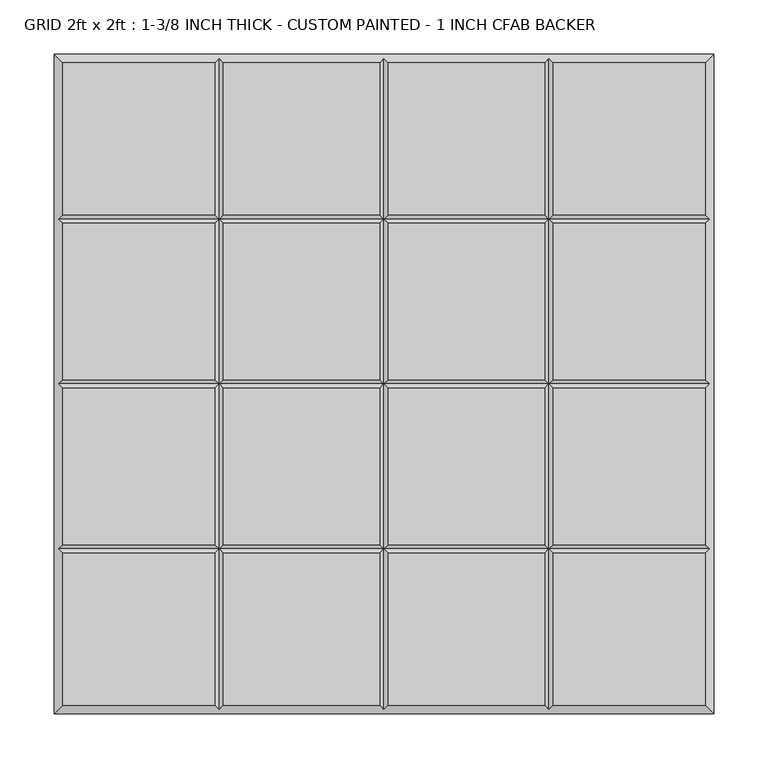
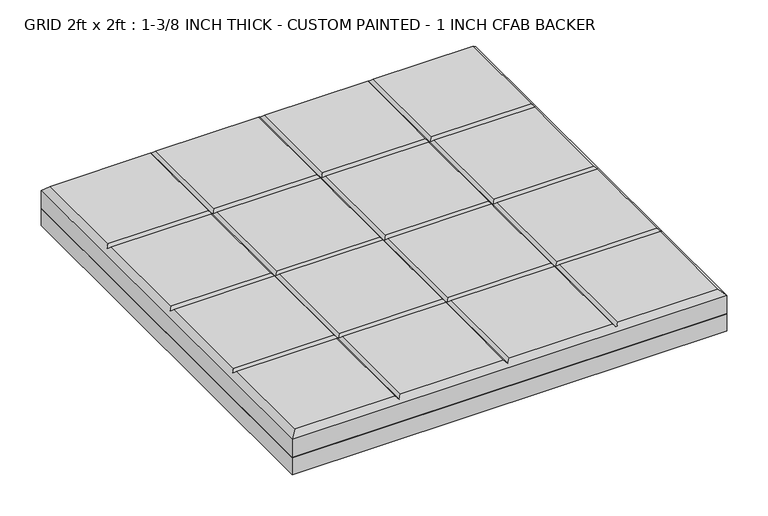
"""IFC4 building model written with IfcOpenShell, lengths in millimetres: proxy geometry, GRID 2ft x 2ft : 1-3/8 INCH THICK - CUSTOM PAINTED - 1 INCH CFAB BACKER."""

from ifc_helpers import new_model, si_unit, frame, origin, place, context, project, spatial, polyline, outline, extrude, faceted_brep, source, transform, mapped, element, save


def grid_2ft_x_2ft_1_3_8_inch_thick_custom_painted_1_inch_cfab_cec94e31(model_context):
    return source(origin(), model_context, "Body", "SolidModel", [
        extrude(outline(polyline([(-304.8, 304.8), (304.8, 304.8), (304.8, -304.8), (-304.8, -304.8), (-304.8, 304.8)])), frame((0.0, 0.0, -25.4), z_axis=(0.0, 0.0, 1.0), x_axis=(1.0, 0.0, 0.0)), (0.0, 0.0, 1.0), 25.4),
        faceted_brep([(-156.4009826, 296.799, 34.925), (-296.799, 296.799, 34.925), (-296.799, 156.4005254, 34.925), (-156.4009826, 156.4005254, 34.925), (-296.799, -296.799, 34.925), (-156.4009826, -296.799, 34.925), (-156.4009826, -156.4004746, 34.925), (-296.799, -156.4004746, 34.925), (-4.0004746, 296.799, 34.925), (-148.3999826, 296.799, 34.925), (-148.3999826, 156.4005254, 34.925), (-4.0004746, 156.4005254, 34.925), (-148.3999826, -296.799, 34.925), (-4.0004746, -296.799, 34.925), (-4.0004746, -156.4004746, 34.925), (-148.3999826, -156.4004746, 34.925), (296.799, 296.799, 34.925), (156.4010334, 296.799, 34.925), (156.4010334, 156.4005254, 34.925), (296.799, 156.4005254, 34.925), (148.4000334, 296.799, 34.925), (4.0005254, 296.799, 34.925), (4.0005254, 156.4005254, 34.925), (148.4000334, 156.4005254, 34.925), (156.4010334, -296.799, 34.925), (296.799, -296.799, 34.925), (296.799, -156.4004746, 34.925), (156.4010334, -156.4004746, 34.925), (4.0005254, -296.799, 34.925), (148.4000334, -296.799, 34.925), (148.4000334, -156.4004746, 34.925), (4.0005254, -156.4004746, 34.925), (-156.4009826, 148.3995254, 34.925), (-296.799, 148.3995254, 34.925), (-296.799, 4.0005254, 34.925), (-156.4009826, 4.0005254, 34.925), (296.799, 148.3995254, 34.925), (156.4010334, 148.3995254, 34.925), (156.4010334, 4.0005254, 34.925), (296.799, 4.0005254, 34.925), (-4.0004746, 148.3995254, 34.925), (-148.3999826, 148.3995254, 34.925), (-148.3999826, 4.0005254, 34.925), (-4.0004746, 4.0005254, 34.925), (148.4000334, 148.3995254, 34.925), (4.0005254, 148.3995254, 34.925), (4.0005254, 4.0005254, 34.925), (148.4000334, 4.0005254, 34.925), (-296.799, -148.3994746, 34.925), (-156.4009826, -148.3994746, 34.925), (-156.4009826, -4.0004746, 34.925), (-296.799, -4.0004746, 34.925), (-148.3999826, -148.3994746, 34.925), (-4.0004746, -148.3994746, 34.925), (-4.0004746, -4.0004746, 34.925), (-148.3999826, -4.0004746, 34.925), (156.4010334, -148.3994746, 34.925), (296.799, -148.3994746, 34.925), (296.799, -4.0004746, 34.925), (156.4010334, -4.0004746, 34.925), (4.0005254, -148.3994746, 34.925), (148.4000334, -148.3994746, 34.925), (148.4000334, -4.0004746, 34.925), (4.0005254, -4.0004746, 34.925), (-304.8, 304.8, 0.0), (304.8, 304.8, 0.0), (304.8, -304.8, 0.0), (-304.8, -304.8, 0.0), (-304.8, -304.8, 26.924), (-304.8, 304.8, 26.924), (304.8, -304.8, 26.924), (304.8, 304.8, 26.924), (-152.4004826, 300.7995, 30.9245), (2.54e-05, 300.7995, 30.9245), (152.4005334, 300.7995, 30.9245), (-300.7995, -152.3999746, 30.9245), (-300.7995, 2.54e-05, 30.9245), (-300.7995, 152.4000254, 30.9245), (152.4005334, -300.7995, 30.9245), (2.54e-05, -300.7995, 30.9245), (-152.4004826, -300.7995, 30.9245), (300.7995, 152.4000254, 30.9245), (300.7995, 2.54e-05, 30.9245), (300.7995, -152.3999746, 30.9245), (-152.4004826, 152.4000254, 30.9245), (-152.4004826, -152.3999746, 30.9245), (-152.4004826, 2.54e-05, 30.9245), (2.54e-05, 152.4000254, 30.9245), (2.54e-05, -152.3999746, 30.9245), (2.54e-05, 2.54e-05, 30.9245), (152.4005334, 152.4000254, 30.9245), (152.4005334, -152.3999746, 30.9245), (152.4005334, 2.54e-05, 30.9245)], [[[0, 1, 2, 3]], [[4, 5, 6, 7]], [[8, 9, 10, 11]], [[12, 13, 14, 15]], [[16, 17, 18, 19]], [[20, 21, 22, 23]], [[24, 25, 26, 27]], [[28, 29, 30, 31]], [[32, 33, 34, 35]], [[36, 37, 38, 39]], [[40, 41, 42, 43]], [[44, 45, 46, 47]], [[48, 49, 50, 51]], [[52, 53, 54, 55]], [[56, 57, 58, 59]], [[60, 61, 62, 63]], [[64, 65, 66, 67]], [[64, 67, 68, 69]], [[67, 66, 70, 68]], [[66, 65, 71, 70]], [[65, 64, 69, 71]], [[69, 1, 0, 72, 9, 8, 73, 21, 20, 74, 17, 16, 71]], [[1, 69, 68, 4, 7, 75, 48, 51, 76, 34, 33, 77, 2]], [[4, 68, 70, 25, 24, 78, 29, 28, 79, 13, 12, 80, 5]], [[71, 16, 19, 81, 36, 39, 82, 58, 57, 83, 26, 25, 70]], [[9, 72, 84, 10]], [[80, 12, 15, 85]], [[41, 84, 86, 42]], [[85, 52, 55, 86]], [[72, 0, 3, 84]], [[5, 80, 85, 6]], [[84, 32, 35, 86]], [[49, 85, 86, 50]], [[21, 73, 87, 22]], [[79, 28, 31, 88]], [[45, 87, 89, 46]], [[88, 60, 63, 89]], [[73, 8, 11, 87]], [[13, 79, 88, 14]], [[87, 40, 43, 89]], [[53, 88, 89, 54]], [[17, 74, 90, 18]], [[78, 24, 27, 91]], [[37, 90, 92, 38]], [[91, 56, 59, 92]], [[74, 20, 23, 90]], [[29, 78, 91, 30]], [[90, 44, 47, 92]], [[61, 91, 92, 62]], [[87, 84, 41, 40]], [[90, 87, 45, 44]], [[84, 77, 33, 32]], [[81, 90, 37, 36]], [[84, 87, 11, 10]], [[87, 90, 23, 22]], [[77, 84, 3, 2]], [[90, 81, 19, 18]], [[88, 85, 15, 14]], [[91, 88, 31, 30]], [[85, 75, 7, 6]], [[83, 91, 27, 26]], [[85, 88, 53, 52]], [[88, 91, 61, 60]], [[75, 85, 49, 48]], [[91, 83, 57, 56]], [[89, 86, 55, 54]], [[92, 89, 63, 62]], [[86, 76, 51, 50]], [[82, 92, 59, 58]], [[86, 89, 43, 42]], [[89, 92, 47, 46]], [[76, 86, 35, 34]], [[92, 82, 39, 38]]]),
    ])


if __name__ == "__main__":
    model = new_model("IFC4")
    model_context = context("Model", 3, world=origin())
    ifc_project = project(units=[si_unit("LENGTHUNIT", "METRE", prefix="MILLI")], contexts=[model_context])
    site = spatial("IfcSite", under=ifc_project)
    building = spatial("IfcBuilding", under=site)
    placement = place(None, origin())
    grid_2ft_x_2ft_1_3_8_inch_thick_custom_painted_1_inch_cfab_shape = grid_2ft_x_2ft_1_3_8_inch_thick_custom_painted_1_inch_cfab_cec94e31(model_context)
    element("IfcBuildingElementProxy", 1, Name="GRID 2ft x 2ft : 1-3/8 INCH THICK - CUSTOM PAINTED - 1 INCH CFAB BACKER", ObjectType="GRID 2ft x 2ft : 1-3/8 INCH THICK - CUSTOM PAINTED - 1 INCH CFAB BACKER", at=placement, inside=building, context=model_context, shape_type="MappedRepresentation", body=[
        mapped(grid_2ft_x_2ft_1_3_8_inch_thick_custom_painted_1_inch_cfab_shape, transform((0.0, 0.0, 0.0), x_axis=(1.0, 0.0, 0.0), y_axis=(0.0, 1.0, 0.0), z_axis=(0.0, 0.0, 1.0))),
    ])
    save(model, "model.ifc")
